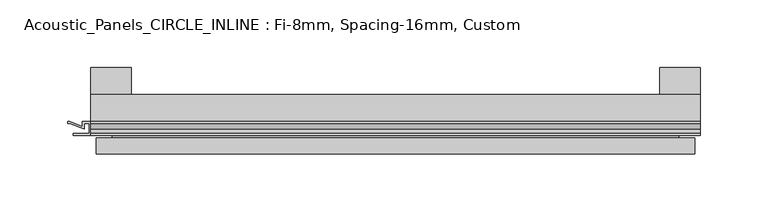
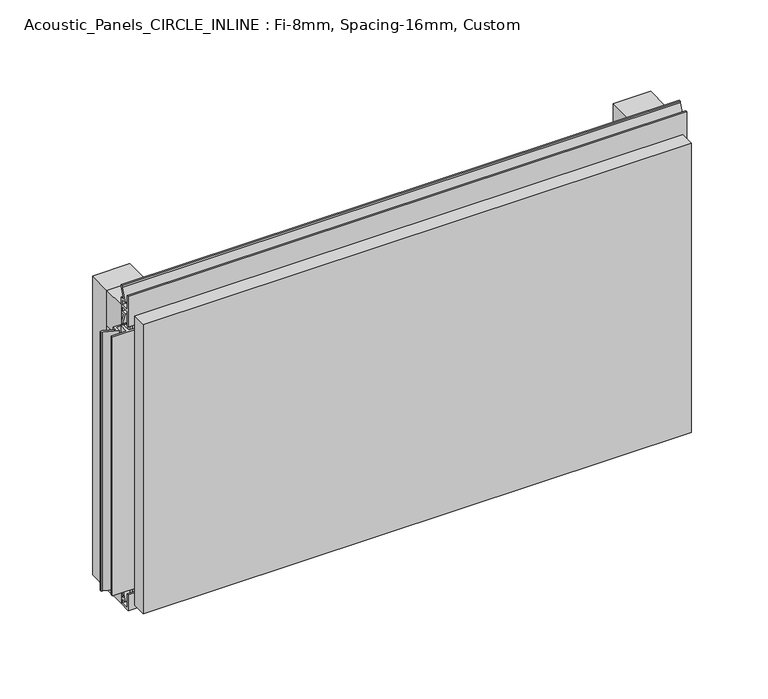
"""IFC4 building model written with IfcOpenShell, lengths in millimetres: plate geometry, Acoustic_Panels_CIRCLE_INLINE : Fi-8mm, Spacing-16mm, Custom."""

from ifc_helpers import new_model, si_unit, frame, origin, origin_with_axes, place, context, project, spatial, polyline, outline, extrude, faceted_brep, source, transform, mapped, element, save


def acoustic_panels_circle_inline_fi_8mm_spacing_16mm_custom_e3b80a2a(model_context):
    return source(origin(), model_context, "Body", "SolidModel", [
        extrude(outline(polyline([(-225.0, -40.0), (-225.0, -20.0), (225.0, -20.0), (225.0, -40.0), (-225.0, -40.0)])), frame((0.0, 0.0, 225.0), z_axis=(0.0, 0.0, 1.0), x_axis=(1.0, 0.0, 0.0)), (0.0, 0.0, 1.0), 30.0),
        extrude(outline(polyline([(-225.0, -40.0), (-225.0, -20.0), (225.0, -20.0), (225.0, -40.0), (-225.0, -40.0)])), origin_with_axes(), (0.0, 0.0, 1.0), 30.0),
        extrude(outline(polyline([(195.0, 0.0), (225.0, 0.0), (225.0, -20.0), (195.0, -20.0), (195.0, 0.0)])), origin_with_axes(), (0.0, 0.0, 1.0), 255.0),
        extrude(outline(polyline([(-195.0, 0.0), (-195.0, -20.0), (-225.0, -20.0), (-225.0, 0.0), (-195.0, 0.0)])), origin_with_axes(), (0.0, 0.0, 1.0), 255.0),
        extrude(outline(polyline([(-40.0, 6.299084), (-40.0, 0.0), (-50.1, 0.0), (-50.1, 13.4156807), (-48.7, 13.4156807), (-48.7, 1.4156807), (-41.4, 1.4156807), (-41.4, 4.899084), (-45.5140545, 4.899084), (-41.4553267, 15.5703394), (-41.4553267, 22.991548), (-40.0553267, 22.991548), (-40.0553267, 15.3558599), (-43.5, 6.299084), (-40.0, 6.299084)])), frame((-225.0, 0.0, 0.0), z_axis=(1.0, 0.0, 0.0), x_axis=(0.0, 1.0, 0.0)), (0.0, 0.0, 1.0), 450.0),
        extrude(outline(polyline([(-225.899084, -48.7), (-225.899084, -41.4), (-229.899084, -41.4), (-229.899084, -45.5140545), (-240.5703394, -41.4553267), (-241.9558599, -41.4553267), (-241.9558599, -40.0553267), (-240.3558599, -40.0553267), (-231.299084, -43.5), (-231.299084, -40.0), (-218.700916, -40.0), (-218.700916, -43.5), (-209.6441401, -40.0553267), (-208.0441401, -40.0553267), (-208.0441401, -41.4553267), (-209.4296606, -41.4553267), (-220.100916, -45.5140545), (-220.100916, -41.4), (-224.100916, -41.4), (-224.100916, -48.7), (-212.100916, -48.7), (-212.100916, -50.1), (-237.899084, -50.1), (-237.899084, -48.7), (-225.899084, -48.7)])), frame((0.0, 0.0, 16.9558599), z_axis=(0.0, 0.0, 1.0), x_axis=(1.0, 0.0, 0.0)), (0.0, 0.0, 1.0), 221.0882802),
        extrude(outline(polyline([(-48.7, 255.899084), (-41.4, 255.899084), (-41.4, 259.899084), (-45.5140545, 259.899084), (-41.4553267, 270.5703394), (-41.4553267, 271.9558599), (-40.0553267, 271.9558599), (-40.0553267, 270.3558599), (-43.5, 261.299084), (-40.0, 261.299084), (-40.0, 248.700916), (-43.5, 248.700916), (-40.0553267, 239.6441401), (-40.0553267, 238.0441401), (-41.4553267, 238.0441401), (-41.4553267, 239.4296606), (-45.5140545, 250.100916), (-41.4, 250.100916), (-41.4, 254.100916), (-48.7, 254.100916), (-48.7, 242.100916), (-50.1, 242.100916), (-50.1, 267.899084), (-48.7, 267.899084), (-48.7, 255.899084)])), frame((-225.0, 0.0, 0.0), z_axis=(1.0, 0.0, 0.0), x_axis=(0.0, 1.0, 0.0)), (0.0, 0.0, 1.0), 450.0),
        faceted_brep([(221.0, -45.9, 251.0), (-221.0, -45.9, 251.0), (-221.0, -48.7, 251.0), (221.0, -48.7, 251.0), (-221.0, -63.9, 251.0), (221.0, -63.9, 251.0), (221.0, -51.9, 251.0), (-221.0, -51.9, 251.0), (-221.0, -45.9, 4.0), (221.0, -45.9, 4.0), (221.0, -48.7, 4.0), (-221.0, -48.7, 4.0), (221.0, -63.9, 4.0), (-221.0, -63.9, 4.0), (-221.0, -51.9, 4.0), (221.0, -51.9, 4.0), (209.0, -51.9, 239.0), (209.0, -51.9, 16.0), (209.0, -48.7, 16.0), (209.0, -48.7, 239.0), (-209.0, -51.9, 16.0), (-209.0, -48.7, 16.0), (-209.0, -51.9, 239.0), (-209.0, -48.7, 239.0)], [[[0, 1, 2, 3]], [[4, 5, 6, 7]], [[8, 9, 10, 11]], [[12, 13, 14, 15]], [[1, 0, 9, 8]], [[1, 8, 11, 2]], [[13, 4, 7, 14]], [[5, 4, 13, 12]], [[9, 0, 3, 10]], [[5, 12, 15, 6]], [[16, 17, 18, 19]], [[18, 17, 20, 21]], [[21, 20, 22, 23]], [[16, 19, 23, 22]], [[7, 6, 15, 14], [17, 16, 22, 20]], [[3, 2, 11, 10], [19, 18, 21, 23]]]),
    ])


if __name__ == "__main__":
    model = new_model("IFC4")
    model_context = context("Model", 3, world=origin())
    ifc_project = project(units=[si_unit("LENGTHUNIT", "METRE", prefix="MILLI")], contexts=[model_context])
    site = spatial("IfcSite", under=ifc_project)
    building = spatial("IfcBuilding", under=site)
    placement = place(None, origin())
    acoustic_panels_circle_inline_fi_8mm_spacing_16mm_custom_shape = acoustic_panels_circle_inline_fi_8mm_spacing_16mm_custom_e3b80a2a(model_context)
    element("IfcPlate", 1, ObjectType="Acoustic_Panels_CIRCLE_INLINE : Fi-8mm, Spacing-16mm, Custom", at=placement, inside=building, context=model_context, shape_type="MappedRepresentation", body=[
        mapped(acoustic_panels_circle_inline_fi_8mm_spacing_16mm_custom_shape, transform((0.0, 0.0, 0.0), x_axis=(1.0, 0.0, 0.0), y_axis=(0.0, 1.0, 0.0), z_axis=(0.0, 0.0, 1.0))),
    ])
    save(model, "model.ifc")
